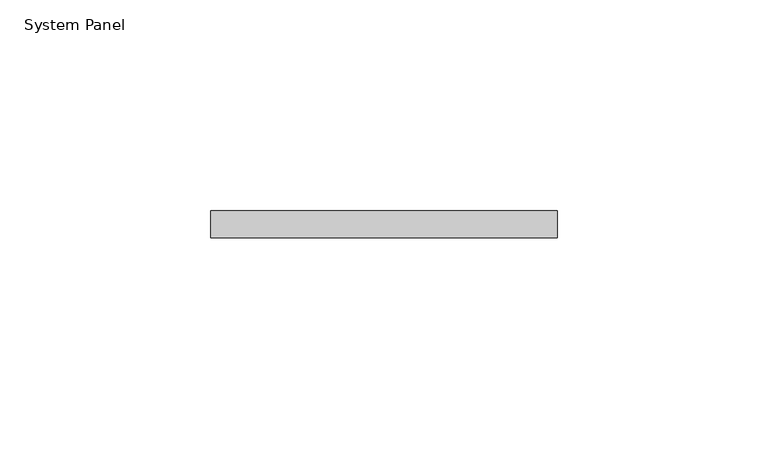
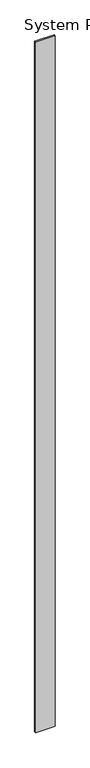
"""IFC4 building model written with IfcOpenShell, lengths in millimetres: plate geometry, System Panel."""

import ifcopenshell
import ifcopenshell.guid

model = None  # the IFC model being written
_history = None  # IfcOwnerHistory: only IFC2X3 demands one
_inside = {}  # id of a spatial element -> (the spatial element, [elements in it])
_under = {}  # id of a project, library or spatial element -> (it, [spatial elements below it])
_declared = {}  # id of a project -> (the project, [libraries it declares])
_typed = {}  # id of a type object -> (the type object, [elements of that type])
_made_of = {}  # id of a material, layer set ... -> (it, [elements and type objects made of it])


def new_model(schema):
    """Start an empty IFC model of exactly this schema.

    Asked for "IFC4X3", IfcOpenShell would pick the latest addendum, in which some entities
    have other attributes; the version numbers below select the first issue.
    IFC2X3 requires an IfcOwnerHistory on every rooted entity: one is made here for all.
    """
    global model, _history
    if schema == "IFC4X3":
        model = ifcopenshell.file(schema_version=(4, 3, 0, 0))
    else:
        model = ifcopenshell.file(schema=schema)
    _inside.clear()
    _under.clear()
    _declared.clear()
    _typed.clear()
    _made_of.clear()
    _history = None
    if model.schema == "IFC2X3":
        org = make("IfcOrganization", Name="unknown")
        user = make(
            "IfcPersonAndOrganization",
            ThePerson=make("IfcPerson", FamilyName="unknown"),
            TheOrganization=org,
        )
        app = make(
            "IfcApplication",
            ApplicationDeveloper=org,
            Version="unknown",
            ApplicationFullName="unknown",
            ApplicationIdentifier="unknown",
        )
        _history = make(
            "IfcOwnerHistory",
            OwningUser=user,
            OwningApplication=app,
            ChangeAction="ADDED",
            CreationDate=0,
        )
    return model


def make(cls, **values):
    """One entity of the class cls with the attributes given. An attribute that is None is left unset."""
    return model.create_entity(
        cls, **{name: value for name, value in values.items() if value is not None}
    )


def rooted(cls, **values):
    """An entity with a GlobalId (a new one), such as an element, a storey or a relation."""
    return make(cls, GlobalId=ifcopenshell.guid.new(), OwnerHistory=_history, **values)


def si_unit(unit_type, name, prefix=None):
    """IfcSIUnit, for example si_unit("LENGTHUNIT", "METRE", prefix="MILLI")."""
    return make("IfcSIUnit", UnitType=unit_type, Prefix=prefix, Name=name)


def assignment(units):
    """IfcUnitAssignment: the units of a project."""
    return None if units is None else make("IfcUnitAssignment", Units=units)


def point(xyz):
    """IfcCartesianPoint."""
    return None if xyz is None else make("IfcCartesianPoint", Coordinates=xyz)


def direction(xyz):
    """IfcDirection."""
    return None if xyz is None else make("IfcDirection", DirectionRatios=xyz)


def frame(location, z_axis=None, x_axis=None):
    """IfcAxis2Placement3D, a coordinate frame: its origin and axes. An axis left out is left unset."""
    return make(
        "IfcAxis2Placement3D",
        Location=point(location),
        Axis=direction(z_axis),
        RefDirection=direction(x_axis),
    )


def origin():
    """The frame at (0, 0, 0) with its axes left unset."""
    return frame((0.0, 0.0, 0.0))


def origin_with_axes():
    """The frame at (0, 0, 0) with the z axis (0, 0, 1) and the x axis (1, 0, 0) written out."""
    return frame((0.0, 0.0, 0.0), z_axis=(0.0, 0.0, 1.0), x_axis=(1.0, 0.0, 0.0))


def place(relative_to, where):
    """IfcLocalPlacement: puts the frame where relative to a parent placement (None: the world)."""
    return make(
        "IfcLocalPlacement", PlacementRelTo=relative_to, RelativePlacement=where
    )


def context(
    kind, dimensions, precision=None, world=None, true_north=None, identifier=None
):
    """IfcGeometricRepresentationContext, for example the 3D "Model" context."""
    return make(
        "IfcGeometricRepresentationContext",
        ContextIdentifier=identifier,
        ContextType=kind,
        CoordinateSpaceDimension=dimensions,
        Precision=precision,
        WorldCoordinateSystem=world,
        TrueNorth=true_north,
    )


def project(units=None, contexts=None):
    """IfcProject with its units and contexts."""
    return rooted(
        "IfcProject",
        Name="project",
        RepresentationContexts=contexts,
        UnitsInContext=assignment(units),
    )


def spatial(cls, under=None, at=None, **own):
    """A site, building, storey or space (cls), placed at a placement, below another one or the project."""
    s = rooted(cls, ObjectPlacement=at, **own)
    if under is not None:
        _under.setdefault(under.id(), (under, []))[1].append(s)
    return s


def polyline(points):
    """IfcPolyline through the points."""
    return make("IfcPolyline", Points=[point(p) for p in points])


def outline(outer, holes=None, kind="AREA"):
    """IfcArbitraryClosedProfileDef: a profile drawn as a closed curve; with holes, ...WithVoids."""
    if holes is None:
        return make("IfcArbitraryClosedProfileDef", ProfileType=kind, OuterCurve=outer)
    return make(
        "IfcArbitraryProfileDefWithVoids",
        ProfileType=kind,
        OuterCurve=outer,
        InnerCurves=holes,
    )


def extrude(swept, where, along, depth):
    """IfcExtrudedAreaSolid: the profile swept, set in the frame where, extruded along a direction by depth."""
    return make(
        "IfcExtrudedAreaSolid",
        SweptArea=swept,
        Position=where,
        ExtrudedDirection=direction(along),
        Depth=depth,
    )


def shape(context_of_items, identifier, shape_type, items):
    """IfcShapeRepresentation: the items that make up one representation, for example the "Body"."""
    return make(
        "IfcShapeRepresentation",
        ContextOfItems=context_of_items,
        RepresentationIdentifier=identifier,
        RepresentationType=shape_type,
        Items=items,
    )


def source(mapping_origin, context_of_items, identifier, shape_type, items):
    """IfcRepresentationMap: a shape defined once, which mapped items show again and again."""
    return make(
        "IfcRepresentationMap",
        MappingOrigin=mapping_origin,
        MappedRepresentation=shape(context_of_items, identifier, shape_type, items),
    )


def transform(
    local_origin,
    x_axis=None,
    y_axis=None,
    z_axis=None,
    scale=None,
    scale2=None,
    scale3=None,
    uniform=True,
):
    """IfcCartesianTransformationOperator3D, or its non-uniform kind. x_axis, y_axis, z_axis: its Axis1, 2, 3."""
    if uniform:
        return make(
            "IfcCartesianTransformationOperator3D",
            Axis1=direction(x_axis),
            Axis2=direction(y_axis),
            LocalOrigin=point(local_origin),
            Scale=scale,
            Axis3=direction(z_axis),
        )
    return make(
        "IfcCartesianTransformationOperator3DnonUniform",
        Axis1=direction(x_axis),
        Axis2=direction(y_axis),
        LocalOrigin=point(local_origin),
        Scale=scale,
        Axis3=direction(z_axis),
        Scale2=scale2,
        Scale3=scale3,
    )


def mapped(mapping_source, mapping_target):
    """IfcMappedItem: shows the shape of a source again, moved by a transform."""
    return make(
        "IfcMappedItem", MappingSource=mapping_source, MappingTarget=mapping_target
    )


def made_of(thing, what):
    """Note that an element or type object is made of a material, layer set ...; save() writes the relation."""
    if what is not None:
        _made_of.setdefault(what.id(), (what, []))[1].append(thing)
    return thing


def element(
    cls,
    number,
    at=None,
    inside=None,
    cuts=None,
    type_object=None,
    material=None,
    context=None,
    identifier="Body",
    shape_type=None,
    held_by="IfcProductDefinitionShape",
    body=None,
    shapes=None,
    **own,
):
    """One element of the class cls, such as IfcWall. Its Tag is "e" and its number.

    at: its placement. inside: the storey or other place that contains it. cuts: it is an
    opening in that element (IfcRelVoidsElement). A single representation is given by context,
    identifier, shape_type and body (its items); several are given by shapes. held_by: the class
    of the entity that holds the representations. save() writes the other relations.
    """
    e = rooted(cls, Tag="e%d" % number, ObjectPlacement=at, **own)
    if body is not None:
        shapes = [shape(context, identifier, shape_type, body)]
    if shapes is not None:
        e.Representation = make(held_by, Representations=shapes)
    if inside is not None:
        _inside.setdefault(inside.id(), (inside, []))[1].append(e)
    if cuts is not None:
        rooted(
            "IfcRelVoidsElement", RelatingBuildingElement=cuts, RelatedOpeningElement=e
        )
    if type_object is not None:
        _typed.setdefault(type_object.id(), (type_object, []))[1].append(e)
    return made_of(e, material)


def aggregate(whole, parts):
    """IfcRelAggregates: a whole, such as a stair, and the parts it consists of."""
    return rooted("IfcRelAggregates", RelatingObject=whole, RelatedObjects=parts)


def save(model, path):
    """Write the relations noted so far, then the file.

    IfcRelAggregates (storeys below a building ...), IfcRelContainedInSpatialStructure (elements
    in a storey), IfcRelDefinesByType, IfcRelAssociatesMaterial and IfcRelDeclares: one each for
    every whole, place, type object, material and project.
    """
    for whole, parts in _under.values():
        aggregate(whole, parts)
    for where, things in _inside.values():
        rooted(
            "IfcRelContainedInSpatialStructure",
            RelatedElements=things,
            RelatingStructure=where,
        )
    for kind, things in _typed.values():
        rooted("IfcRelDefinesByType", RelatedObjects=things, RelatingType=kind)
    for what, things in _made_of.values():
        rooted("IfcRelAssociatesMaterial", RelatedObjects=things, RelatingMaterial=what)
    for by, libraries in _declared.values():
        rooted("IfcRelDeclares", RelatingContext=by, RelatedDefinitions=libraries)
    model.write(path)


def system_panel_17992df5(model_context):
    return source(origin(), model_context, "Body", "SweptSolid", [
        extrude(outline(polyline([(41.0667965, -6.35), (-41.0667965, -6.35), (-41.0667965, 0.0), (41.0667965, 0.0), (41.0667965, -6.35)])), origin_with_axes(), (0.0, 0.0, 1.0), 3048.0),
    ])


if __name__ == "__main__":
    model = new_model("IFC4")
    model_context = context("Model", 3, world=origin())
    ifc_project = project(units=[si_unit("LENGTHUNIT", "METRE", prefix="MILLI")], contexts=[model_context])
    site = spatial("IfcSite", under=ifc_project)
    building = spatial("IfcBuilding", under=site)
    placement = place(None, origin())
    system_panel_shape = system_panel_17992df5(model_context)
    element("IfcPlate", 1, ObjectType="System Panel", at=placement, inside=building, context=model_context, shape_type="MappedRepresentation", body=[
        mapped(system_panel_shape, transform((0.0, 0.0, 0.0), x_axis=(1.0, 0.0, 0.0), y_axis=(0.0, 1.0, 0.0), z_axis=(0.0, 0.0, 1.0))),
    ])
    save(model, "model.ifc")
